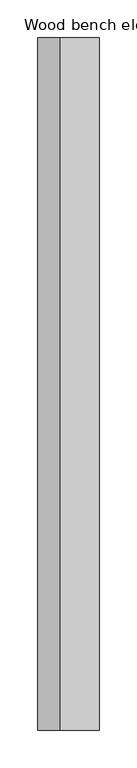
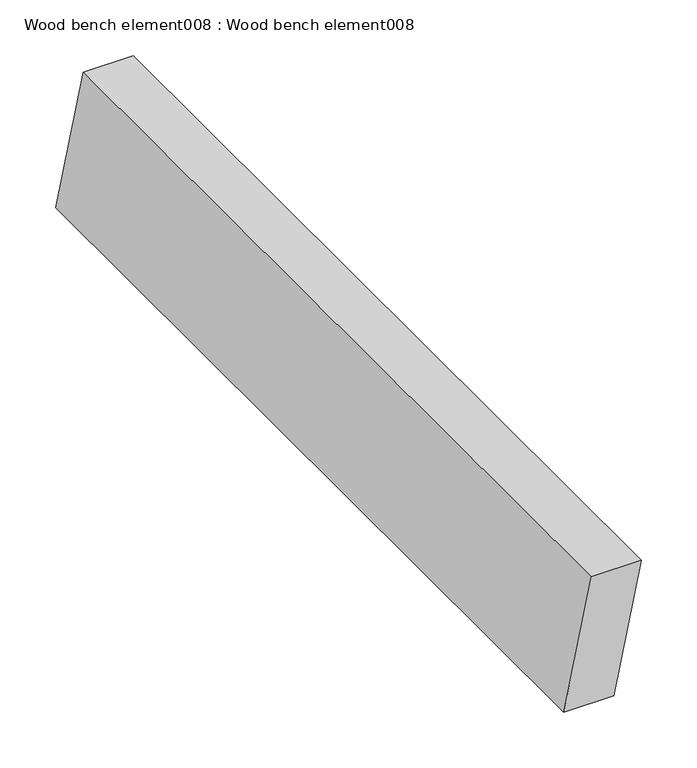
"""IFC4 building model written with IfcOpenShell, lengths in millimetres: proxy geometry, Wood bench element008 : Wood bench element008."""

from ifc_helpers import new_model, si_unit, frame, origin, place, context, project, spatial, polyline, outline, extrude, source, transform, mapped, element, save


def wood_bench_element008_wood_bench_element008_0a511688(model_context):
    return source(origin(), model_context, "Body", "SweptSolid", [
        extrude(outline(polyline([(471.7705369, 38150.4462918), (471.7705369, 38098.5555706), (332.934797, 38069.6314582), (332.934797, 38121.5221793), (471.7705369, 38150.4462918)])), frame((0.0, -19576.8264268, 0.0), z_axis=(0.0, 1.0, 0.0), x_axis=(0.0, 0.0, 1.0)), (0.0, 0.0, 1.0), 914.4),
    ])


if __name__ == "__main__":
    model = new_model("IFC4")
    model_context = context("Model", 3, world=origin())
    ifc_project = project(units=[si_unit("LENGTHUNIT", "METRE", prefix="MILLI")], contexts=[model_context])
    site = spatial("IfcSite", under=ifc_project)
    building = spatial("IfcBuilding", under=site)
    placement = place(None, origin())
    wood_bench_element008_wood_bench_element008_shape = wood_bench_element008_wood_bench_element008_0a511688(model_context)
    element("IfcBuildingElementProxy", 1, Name="Wood bench element008 : Wood bench element008", ObjectType="Wood bench element008 : Wood bench element008", at=placement, inside=building, context=model_context, shape_type="MappedRepresentation", body=[
        mapped(wood_bench_element008_wood_bench_element008_shape, transform((0.0, 0.0, 0.0), x_axis=(1.0, 0.0, 0.0), y_axis=(0.0, 1.0, 0.0), z_axis=(0.0, 0.0, 1.0))),
    ])
    save(model, "model.ifc")
